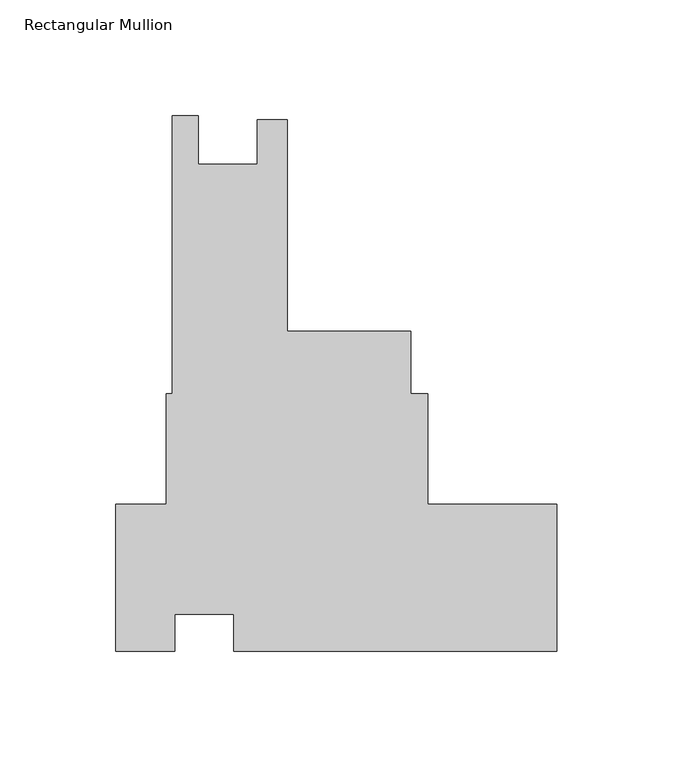
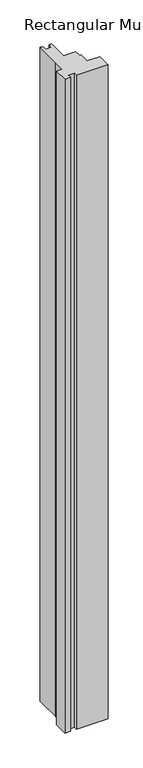
"""IFC4 building model written with IfcOpenShell, lengths in millimetres: member geometry, Rectangular Mullion."""

import ifcopenshell
import ifcopenshell.guid

model = None  # the IFC model being written
_history = None  # IfcOwnerHistory: only IFC2X3 demands one
_inside = {}  # id of a spatial element -> (the spatial element, [elements in it])
_under = {}  # id of a project, library or spatial element -> (it, [spatial elements below it])
_declared = {}  # id of a project -> (the project, [libraries it declares])
_typed = {}  # id of a type object -> (the type object, [elements of that type])
_made_of = {}  # id of a material, layer set ... -> (it, [elements and type objects made of it])


def new_model(schema):
    """Start an empty IFC model of exactly this schema.

    Asked for "IFC4X3", IfcOpenShell would pick the latest addendum, in which some entities
    have other attributes; the version numbers below select the first issue.
    IFC2X3 requires an IfcOwnerHistory on every rooted entity: one is made here for all.
    """
    global model, _history
    if schema == "IFC4X3":
        model = ifcopenshell.file(schema_version=(4, 3, 0, 0))
    else:
        model = ifcopenshell.file(schema=schema)
    _inside.clear()
    _under.clear()
    _declared.clear()
    _typed.clear()
    _made_of.clear()
    _history = None
    if model.schema == "IFC2X3":
        org = make("IfcOrganization", Name="unknown")
        user = make(
            "IfcPersonAndOrganization",
            ThePerson=make("IfcPerson", FamilyName="unknown"),
            TheOrganization=org,
        )
        app = make(
            "IfcApplication",
            ApplicationDeveloper=org,
            Version="unknown",
            ApplicationFullName="unknown",
            ApplicationIdentifier="unknown",
        )
        _history = make(
            "IfcOwnerHistory",
            OwningUser=user,
            OwningApplication=app,
            ChangeAction="ADDED",
            CreationDate=0,
        )
    return model


def make(cls, **values):
    """One entity of the class cls with the attributes given. An attribute that is None is left unset."""
    return model.create_entity(
        cls, **{name: value for name, value in values.items() if value is not None}
    )


def rooted(cls, **values):
    """An entity with a GlobalId (a new one), such as an element, a storey or a relation."""
    return make(cls, GlobalId=ifcopenshell.guid.new(), OwnerHistory=_history, **values)


def si_unit(unit_type, name, prefix=None):
    """IfcSIUnit, for example si_unit("LENGTHUNIT", "METRE", prefix="MILLI")."""
    return make("IfcSIUnit", UnitType=unit_type, Prefix=prefix, Name=name)


def assignment(units):
    """IfcUnitAssignment: the units of a project."""
    return None if units is None else make("IfcUnitAssignment", Units=units)


def point(xyz):
    """IfcCartesianPoint."""
    return None if xyz is None else make("IfcCartesianPoint", Coordinates=xyz)


def direction(xyz):
    """IfcDirection."""
    return None if xyz is None else make("IfcDirection", DirectionRatios=xyz)


def frame(location, z_axis=None, x_axis=None):
    """IfcAxis2Placement3D, a coordinate frame: its origin and axes. An axis left out is left unset."""
    return make(
        "IfcAxis2Placement3D",
        Location=point(location),
        Axis=direction(z_axis),
        RefDirection=direction(x_axis),
    )


def origin():
    """The frame at (0, 0, 0) with its axes left unset."""
    return frame((0.0, 0.0, 0.0))


def place(relative_to, where):
    """IfcLocalPlacement: puts the frame where relative to a parent placement (None: the world)."""
    return make(
        "IfcLocalPlacement", PlacementRelTo=relative_to, RelativePlacement=where
    )


def context(
    kind, dimensions, precision=None, world=None, true_north=None, identifier=None
):
    """IfcGeometricRepresentationContext, for example the 3D "Model" context."""
    return make(
        "IfcGeometricRepresentationContext",
        ContextIdentifier=identifier,
        ContextType=kind,
        CoordinateSpaceDimension=dimensions,
        Precision=precision,
        WorldCoordinateSystem=world,
        TrueNorth=true_north,
    )


def project(units=None, contexts=None):
    """IfcProject with its units and contexts."""
    return rooted(
        "IfcProject",
        Name="project",
        RepresentationContexts=contexts,
        UnitsInContext=assignment(units),
    )


def spatial(cls, under=None, at=None, **own):
    """A site, building, storey or space (cls), placed at a placement, below another one or the project."""
    s = rooted(cls, ObjectPlacement=at, **own)
    if under is not None:
        _under.setdefault(under.id(), (under, []))[1].append(s)
    return s


def polyline(points):
    """IfcPolyline through the points."""
    return make("IfcPolyline", Points=[point(p) for p in points])


def outline(outer, holes=None, kind="AREA"):
    """IfcArbitraryClosedProfileDef: a profile drawn as a closed curve; with holes, ...WithVoids."""
    if holes is None:
        return make("IfcArbitraryClosedProfileDef", ProfileType=kind, OuterCurve=outer)
    return make(
        "IfcArbitraryProfileDefWithVoids",
        ProfileType=kind,
        OuterCurve=outer,
        InnerCurves=holes,
    )


def extrude(swept, where, along, depth):
    """IfcExtrudedAreaSolid: the profile swept, set in the frame where, extruded along a direction by depth."""
    return make(
        "IfcExtrudedAreaSolid",
        SweptArea=swept,
        Position=where,
        ExtrudedDirection=direction(along),
        Depth=depth,
    )


def shape(context_of_items, identifier, shape_type, items):
    """IfcShapeRepresentation: the items that make up one representation, for example the "Body"."""
    return make(
        "IfcShapeRepresentation",
        ContextOfItems=context_of_items,
        RepresentationIdentifier=identifier,
        RepresentationType=shape_type,
        Items=items,
    )


def source(mapping_origin, context_of_items, identifier, shape_type, items):
    """IfcRepresentationMap: a shape defined once, which mapped items show again and again."""
    return make(
        "IfcRepresentationMap",
        MappingOrigin=mapping_origin,
        MappedRepresentation=shape(context_of_items, identifier, shape_type, items),
    )


def transform(
    local_origin,
    x_axis=None,
    y_axis=None,
    z_axis=None,
    scale=None,
    scale2=None,
    scale3=None,
    uniform=True,
):
    """IfcCartesianTransformationOperator3D, or its non-uniform kind. x_axis, y_axis, z_axis: its Axis1, 2, 3."""
    if uniform:
        return make(
            "IfcCartesianTransformationOperator3D",
            Axis1=direction(x_axis),
            Axis2=direction(y_axis),
            LocalOrigin=point(local_origin),
            Scale=scale,
            Axis3=direction(z_axis),
        )
    return make(
        "IfcCartesianTransformationOperator3DnonUniform",
        Axis1=direction(x_axis),
        Axis2=direction(y_axis),
        LocalOrigin=point(local_origin),
        Scale=scale,
        Axis3=direction(z_axis),
        Scale2=scale2,
        Scale3=scale3,
    )


def mapped(mapping_source, mapping_target):
    """IfcMappedItem: shows the shape of a source again, moved by a transform."""
    return make(
        "IfcMappedItem", MappingSource=mapping_source, MappingTarget=mapping_target
    )


def made_of(thing, what):
    """Note that an element or type object is made of a material, layer set ...; save() writes the relation."""
    if what is not None:
        _made_of.setdefault(what.id(), (what, []))[1].append(thing)
    return thing


def element(
    cls,
    number,
    at=None,
    inside=None,
    cuts=None,
    type_object=None,
    material=None,
    context=None,
    identifier="Body",
    shape_type=None,
    held_by="IfcProductDefinitionShape",
    body=None,
    shapes=None,
    **own,
):
    """One element of the class cls, such as IfcWall. Its Tag is "e" and its number.

    at: its placement. inside: the storey or other place that contains it. cuts: it is an
    opening in that element (IfcRelVoidsElement). A single representation is given by context,
    identifier, shape_type and body (its items); several are given by shapes. held_by: the class
    of the entity that holds the representations. save() writes the other relations.
    """
    e = rooted(cls, Tag="e%d" % number, ObjectPlacement=at, **own)
    if body is not None:
        shapes = [shape(context, identifier, shape_type, body)]
    if shapes is not None:
        e.Representation = make(held_by, Representations=shapes)
    if inside is not None:
        _inside.setdefault(inside.id(), (inside, []))[1].append(e)
    if cuts is not None:
        rooted(
            "IfcRelVoidsElement", RelatingBuildingElement=cuts, RelatedOpeningElement=e
        )
    if type_object is not None:
        _typed.setdefault(type_object.id(), (type_object, []))[1].append(e)
    return made_of(e, material)


def aggregate(whole, parts):
    """IfcRelAggregates: a whole, such as a stair, and the parts it consists of."""
    return rooted("IfcRelAggregates", RelatingObject=whole, RelatedObjects=parts)


def save(model, path):
    """Write the relations noted so far, then the file.

    IfcRelAggregates (storeys below a building ...), IfcRelContainedInSpatialStructure (elements
    in a storey), IfcRelDefinesByType, IfcRelAssociatesMaterial and IfcRelDeclares: one each for
    every whole, place, type object, material and project.
    """
    for whole, parts in _under.values():
        aggregate(whole, parts)
    for where, things in _inside.values():
        rooted(
            "IfcRelContainedInSpatialStructure",
            RelatedElements=things,
            RelatingStructure=where,
        )
    for kind, things in _typed.values():
        rooted("IfcRelDefinesByType", RelatedObjects=things, RelatingType=kind)
    for what, things in _made_of.values():
        rooted("IfcRelAssociatesMaterial", RelatedObjects=things, RelatingMaterial=what)
    for by, libraries in _declared.values():
        rooted("IfcRelDeclares", RelatingContext=by, RelatedDefinitions=libraries)
    model.write(path)


def rectangular_mullion_1c246b14(model_context):
    return source(origin(), model_context, "Body", "SweptSolid", [
        extrude(outline(polyline([(-190.5, 31.7546765), (-168.7076987, 31.7546765), (-168.7076987, 79.3796765), (-166.1429337, 79.3796765), (-166.1429337, 199.4689453), (-154.7853282, 199.4689453), (-154.7853282, 178.6238265), (-129.3891337, 178.6238265), (-129.3891337, 197.6484265), (-116.3589337, 197.6484265), (-116.3589337, 106.3544765), (-63.1776837, 106.3544765), (-63.1776837, 79.3796765), (-55.6319787, 79.3796765), (-55.6319787, 31.7546765), (0.0, 31.7546765), (0.0, -31.7453235), (-139.5326039, -31.7453235), (-139.5326039, -15.8830235), (-165.1062367, -15.8830235), (-165.1062367, -31.7453235), (-190.5, -31.7453235), (-190.5, 31.7546765)])), frame((0.0, 0.0, -3048.0), z_axis=(0.0, 0.0, 1.0), x_axis=(1.0, 0.0, 0.0)), (0.0, 0.0, 1.0), 3048.0),
    ])


if __name__ == "__main__":
    model = new_model("IFC4")
    model_context = context("Model", 3, world=origin())
    ifc_project = project(units=[si_unit("LENGTHUNIT", "METRE", prefix="MILLI")], contexts=[model_context])
    site = spatial("IfcSite", under=ifc_project)
    building = spatial("IfcBuilding", under=site)
    placement = place(None, origin())
    rectangular_mullion_shape = rectangular_mullion_1c246b14(model_context)
    element("IfcMember", 1, ObjectType="Rectangular Mullion", at=placement, inside=building, context=model_context, shape_type="MappedRepresentation", body=[
        mapped(rectangular_mullion_shape, transform((0.0, 0.0, 0.0), x_axis=(1.0, 0.0, 0.0), y_axis=(0.0, 1.0, 0.0), z_axis=(0.0, 0.0, 1.0))),
    ])
    save(model, "model.ifc")
